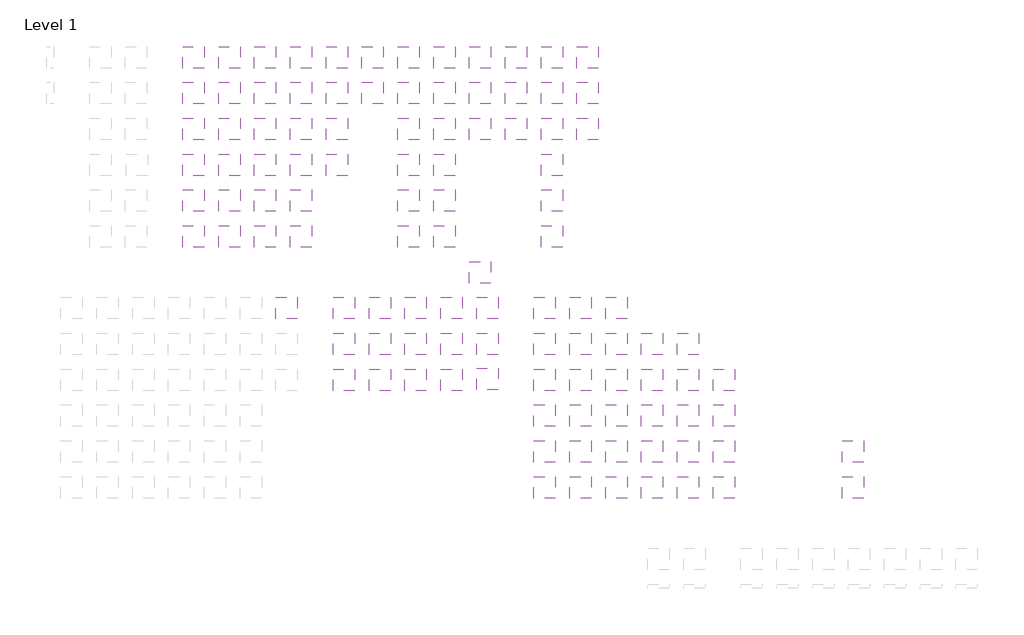
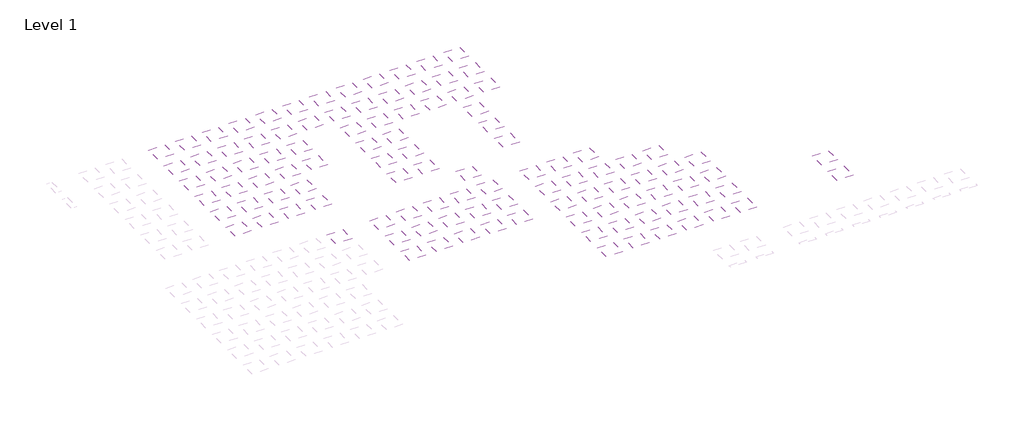
# One storey, part 9 of 90: 108 coverings.
"""IFC4 building model written with IfcOpenShell, lengths in millimetres."""

import ifcopenshell
import ifcopenshell.guid

model = None  # the IFC model being written
_history = None  # IfcOwnerHistory: only IFC2X3 demands one
_inside = {}  # id of a spatial element -> (the spatial element, [elements in it])
_under = {}  # id of a project, library or spatial element -> (it, [spatial elements below it])
_declared = {}  # id of a project -> (the project, [libraries it declares])
_typed = {}  # id of a type object -> (the type object, [elements of that type])
_made_of = {}  # id of a material, layer set ... -> (it, [elements and type objects made of it])


def new_model(schema):
    """Start an empty IFC model of exactly this schema.

    Asked for "IFC4X3", IfcOpenShell would pick the latest addendum, in which some entities
    have other attributes; the version numbers below select the first issue.
    IFC2X3 requires an IfcOwnerHistory on every rooted entity: one is made here for all.
    """
    global model, _history
    if schema == "IFC4X3":
        model = ifcopenshell.file(schema_version=(4, 3, 0, 0))
    else:
        model = ifcopenshell.file(schema=schema)
    _inside.clear()
    _under.clear()
    _declared.clear()
    _typed.clear()
    _made_of.clear()
    _history = None
    if model.schema == "IFC2X3":
        org = make("IfcOrganization", Name="unknown")
        user = make(
            "IfcPersonAndOrganization",
            ThePerson=make("IfcPerson", FamilyName="unknown"),
            TheOrganization=org,
        )
        app = make(
            "IfcApplication",
            ApplicationDeveloper=org,
            Version="unknown",
            ApplicationFullName="unknown",
            ApplicationIdentifier="unknown",
        )
        _history = make(
            "IfcOwnerHistory",
            OwningUser=user,
            OwningApplication=app,
            ChangeAction="ADDED",
            CreationDate=0,
        )
    return model


def make(cls, **values):
    """One entity of the class cls with the attributes given. An attribute that is None is left unset."""
    return model.create_entity(
        cls, **{name: value for name, value in values.items() if value is not None}
    )


def rooted(cls, **values):
    """An entity with a GlobalId (a new one), such as an element, a storey or a relation."""
    return make(cls, GlobalId=ifcopenshell.guid.new(), OwnerHistory=_history, **values)


def si_unit(unit_type, name, prefix=None):
    """IfcSIUnit, for example si_unit("LENGTHUNIT", "METRE", prefix="MILLI")."""
    return make("IfcSIUnit", UnitType=unit_type, Prefix=prefix, Name=name)


def assignment(units):
    """IfcUnitAssignment: the units of a project."""
    return None if units is None else make("IfcUnitAssignment", Units=units)


def point(xyz):
    """IfcCartesianPoint."""
    return None if xyz is None else make("IfcCartesianPoint", Coordinates=xyz)


def direction(xyz):
    """IfcDirection."""
    return None if xyz is None else make("IfcDirection", DirectionRatios=xyz)


def frame(location, z_axis=None, x_axis=None):
    """IfcAxis2Placement3D, a coordinate frame: its origin and axes. An axis left out is left unset."""
    return make(
        "IfcAxis2Placement3D",
        Location=point(location),
        Axis=direction(z_axis),
        RefDirection=direction(x_axis),
    )


def origin():
    """The frame at (0, 0, 0) with its axes left unset."""
    return frame((0.0, 0.0, 0.0))


def place(relative_to, where):
    """IfcLocalPlacement: puts the frame where relative to a parent placement (None: the world)."""
    return make(
        "IfcLocalPlacement", PlacementRelTo=relative_to, RelativePlacement=where
    )


def context(
    kind, dimensions, precision=None, world=None, true_north=None, identifier=None
):
    """IfcGeometricRepresentationContext, for example the 3D "Model" context."""
    return make(
        "IfcGeometricRepresentationContext",
        ContextIdentifier=identifier,
        ContextType=kind,
        CoordinateSpaceDimension=dimensions,
        Precision=precision,
        WorldCoordinateSystem=world,
        TrueNorth=true_north,
    )


def project(units=None, contexts=None):
    """IfcProject with its units and contexts."""
    return rooted(
        "IfcProject",
        Name="project",
        RepresentationContexts=contexts,
        UnitsInContext=assignment(units),
    )


def spatial(cls, under=None, at=None, **own):
    """A site, building, storey or space (cls), placed at a placement, below another one or the project."""
    s = rooted(cls, ObjectPlacement=at, **own)
    if under is not None:
        _under.setdefault(under.id(), (under, []))[1].append(s)
    return s


def polyline(points):
    """IfcPolyline through the points."""
    return make("IfcPolyline", Points=[point(p) for p in points])


def outline(outer, holes=None, kind="AREA"):
    """IfcArbitraryClosedProfileDef: a profile drawn as a closed curve; with holes, ...WithVoids."""
    if holes is None:
        return make("IfcArbitraryClosedProfileDef", ProfileType=kind, OuterCurve=outer)
    return make(
        "IfcArbitraryProfileDefWithVoids",
        ProfileType=kind,
        OuterCurve=outer,
        InnerCurves=holes,
    )


def extrude(swept, where, along, depth):
    """IfcExtrudedAreaSolid: the profile swept, set in the frame where, extruded along a direction by depth."""
    return make(
        "IfcExtrudedAreaSolid",
        SweptArea=swept,
        Position=where,
        ExtrudedDirection=direction(along),
        Depth=depth,
    )


def shape(context_of_items, identifier, shape_type, items):
    """IfcShapeRepresentation: the items that make up one representation, for example the "Body"."""
    return make(
        "IfcShapeRepresentation",
        ContextOfItems=context_of_items,
        RepresentationIdentifier=identifier,
        RepresentationType=shape_type,
        Items=items,
    )


def made_of(thing, what):
    """Note that an element or type object is made of a material, layer set ...; save() writes the relation."""
    if what is not None:
        _made_of.setdefault(what.id(), (what, []))[1].append(thing)
    return thing


def element(
    cls,
    number,
    at=None,
    inside=None,
    cuts=None,
    type_object=None,
    material=None,
    context=None,
    identifier="Body",
    shape_type=None,
    held_by="IfcProductDefinitionShape",
    body=None,
    shapes=None,
    **own,
):
    """One element of the class cls, such as IfcWall. Its Tag is "e" and its number.

    at: its placement. inside: the storey or other place that contains it. cuts: it is an
    opening in that element (IfcRelVoidsElement). A single representation is given by context,
    identifier, shape_type and body (its items); several are given by shapes. held_by: the class
    of the entity that holds the representations. save() writes the other relations.
    """
    e = rooted(cls, Tag="e%d" % number, ObjectPlacement=at, **own)
    if body is not None:
        shapes = [shape(context, identifier, shape_type, body)]
    if shapes is not None:
        e.Representation = make(held_by, Representations=shapes)
    if inside is not None:
        _inside.setdefault(inside.id(), (inside, []))[1].append(e)
    if cuts is not None:
        rooted(
            "IfcRelVoidsElement", RelatingBuildingElement=cuts, RelatedOpeningElement=e
        )
    if type_object is not None:
        _typed.setdefault(type_object.id(), (type_object, []))[1].append(e)
    return made_of(e, material)


def aggregate(whole, parts):
    """IfcRelAggregates: a whole, such as a stair, and the parts it consists of."""
    return rooted("IfcRelAggregates", RelatingObject=whole, RelatedObjects=parts)


def save(model, path):
    """Write the relations noted so far, then the file.

    IfcRelAggregates (storeys below a building ...), IfcRelContainedInSpatialStructure (elements
    in a storey), IfcRelDefinesByType, IfcRelAssociatesMaterial and IfcRelDeclares: one each for
    every whole, place, type object, material and project.
    """
    for whole, parts in _under.values():
        aggregate(whole, parts)
    for where, things in _inside.values():
        rooted(
            "IfcRelContainedInSpatialStructure",
            RelatedElements=things,
            RelatingStructure=where,
        )
    for kind, things in _typed.values():
        rooted("IfcRelDefinesByType", RelatedObjects=things, RelatingType=kind)
    for what, things in _made_of.values():
        rooted("IfcRelAssociatesMaterial", RelatedObjects=things, RelatingMaterial=what)
    for by, libraries in _declared.values():
        rooted("IfcRelDeclares", RelatingContext=by, RelatedDefinitions=libraries)
    model.write(path)


model = new_model("IFC4")

# Units and contexts
model_context = context("Model", 3, world=origin())
ifc_project = project(units=[si_unit("LENGTHUNIT", "METRE", prefix="MILLI")], contexts=[model_context])

# Site, building, storey
site = spatial("IfcSite", under=ifc_project)
building = spatial("IfcBuilding", under=site)
storey = spatial("IfcBuildingStorey", under=building, Name="Level 1", Elevation=0.0)

# Coverings
placement = place(None, origin())
element("IfcCovering", 1, at=placement, inside=storey, context=model_context, shape_type="SweptSolid", body=[
    extrude(outline(polyline([(131041.3888175, 62503.2440705), (131041.3888175, 59503.2440705), (128041.3888175, 59503.2440705), (128041.3888175, 62503.2440705), (131041.3888175, 62503.2440705)])), frame((0.0, 0.0, 2600.0), z_axis=(0.0, 0.0, 1.0), x_axis=(1.0, 0.0, 0.0)), (0.0, 0.0, 1.0), 38.0),
])
element("IfcCovering", 2, at=placement, inside=storey, context=model_context, shape_type="SweptSolid", body=[
    extrude(outline(polyline([(131041.3888175, 52503.2440705), (131041.3888175, 49503.2440705), (128041.3888175, 49503.2440705), (128041.3888175, 52503.2440705), (131041.3888175, 52503.2440705)])), frame((0.0, 0.0, 2600.0), z_axis=(0.0, 0.0, 1.0), x_axis=(1.0, 0.0, 0.0)), (0.0, 0.0, 1.0), 38.0),
])
element("IfcCovering", 3, at=placement, inside=storey, context=model_context, shape_type="SweptSolid", body=[
    extrude(outline(polyline([(131041.3888175, 47503.2440705), (131041.3888175, 44503.2440705), (128041.3888175, 44503.2440705), (128041.3888175, 47503.2440705), (131041.3888175, 47503.2440705)])), frame((0.0, 0.0, 2600.0), z_axis=(0.0, 0.0, 1.0), x_axis=(1.0, 0.0, 0.0)), (0.0, 0.0, 1.0), 38.0),
])
element("IfcCovering", 4, at=placement, inside=storey, context=model_context, shape_type="SweptSolid", body=[
    extrude(outline(polyline([(131041.3888175, 37503.2440705), (131041.3888175, 34503.2440705), (128041.3888175, 34503.2440705), (128041.3888175, 37503.2440705), (131041.3888175, 37503.2440705)])), frame((0.0, 0.0, 2600.0), z_axis=(0.0, 0.0, 1.0), x_axis=(1.0, 0.0, 0.0)), (0.0, 0.0, 1.0), 38.0),
])
element("IfcCovering", 5, at=placement, inside=storey, context=model_context, shape_type="SweptSolid", body=[
    extrude(outline(polyline([(141041.3888175, 62503.2440705), (141041.3888175, 59503.2440705), (138041.3888175, 59503.2440705), (138041.3888175, 62503.2440705), (141041.3888175, 62503.2440705)])), frame((0.0, 0.0, 2600.0), z_axis=(0.0, 0.0, 1.0), x_axis=(1.0, 0.0, 0.0)), (0.0, 0.0, 1.0), 38.0),
])
element("IfcCovering", 6, at=placement, inside=storey, context=model_context, shape_type="SweptSolid", body=[
    extrude(outline(polyline([(141041.3888175, 52503.2440705), (141041.3888175, 49503.2440705), (138041.3888175, 49503.2440705), (138041.3888175, 52503.2440705), (141041.3888175, 52503.2440705)])), frame((0.0, 0.0, 2600.0), z_axis=(0.0, 0.0, 1.0), x_axis=(1.0, 0.0, 0.0)), (0.0, 0.0, 1.0), 38.0),
])
element("IfcCovering", 7, at=placement, inside=storey, context=model_context, shape_type="SweptSolid", body=[
    extrude(outline(polyline([(141041.3888175, 37503.2440705), (141041.3888175, 34503.2440705), (138041.3888175, 34503.2440705), (138041.3888175, 37503.2440705), (141041.3888175, 37503.2440705)])), frame((0.0, 0.0, 2600.0), z_axis=(0.0, 0.0, 1.0), x_axis=(1.0, 0.0, 0.0)), (0.0, 0.0, 1.0), 38.0),
])
element("IfcCovering", 8, at=placement, inside=storey, context=model_context, shape_type="SweptSolid", body=[
    extrude(outline(polyline([(161041.3888175, 62503.2440705), (161041.3888175, 59503.2440705), (158041.3888175, 59503.2440705), (158041.3888175, 62503.2440705), (161041.3888175, 62503.2440705)])), frame((0.0, 0.0, 2600.0), z_axis=(0.0, 0.0, 1.0), x_axis=(1.0, 0.0, 0.0)), (0.0, 0.0, 1.0), 38.0),
])
element("IfcCovering", 9, at=placement, inside=storey, context=model_context, shape_type="SweptSolid", body=[
    extrude(outline(polyline([(161041.3888175, 52503.2440705), (161041.3888175, 49503.2440705), (158041.3888175, 49503.2440705), (158041.3888175, 52503.2440705), (161041.3888175, 52503.2440705)])), frame((0.0, 0.0, 2600.0), z_axis=(0.0, 0.0, 1.0), x_axis=(1.0, 0.0, 0.0)), (0.0, 0.0, 1.0), 38.0),
])
element("IfcCovering", 10, at=placement, inside=storey, context=model_context, shape_type="SweptSolid", body=[
    extrude(outline(polyline([(161041.3888175, 47503.2440705), (161041.3888175, 44503.2440705), (158041.3888175, 44503.2440705), (158041.3888175, 47503.2440705), (161041.3888175, 47503.2440705)])), frame((0.0, 0.0, 2600.0), z_axis=(0.0, 0.0, 1.0), x_axis=(1.0, 0.0, 0.0)), (0.0, 0.0, 1.0), 38.0),
])
element("IfcCovering", 11, at=placement, inside=storey, context=model_context, shape_type="SweptSolid", body=[
    extrude(outline(polyline([(161041.3888175, 37503.2440705), (161041.3888175, 34503.2440705), (158041.3888175, 34503.2440705), (158041.3888175, 37503.2440705), (161041.3888175, 37503.2440705)])), frame((0.0, 0.0, 2600.0), z_axis=(0.0, 0.0, 1.0), x_axis=(1.0, 0.0, 0.0)), (0.0, 0.0, 1.0), 38.0),
])
element("IfcCovering", 12, at=placement, inside=storey, context=model_context, shape_type="SweptSolid", body=[
    extrude(outline(polyline([(166041.3888175, 62503.2440705), (166041.3888175, 59503.2440705), (163041.3888175, 59503.2440705), (163041.3888175, 62503.2440705), (166041.3888175, 62503.2440705)])), frame((0.0, 0.0, 2600.0), z_axis=(0.0, 0.0, 1.0), x_axis=(1.0, 0.0, 0.0)), (0.0, 0.0, 1.0), 38.0),
])
element("IfcCovering", 13, at=placement, inside=storey, context=model_context, shape_type="SweptSolid", body=[
    extrude(outline(polyline([(166041.3888175, 52503.2440705), (166041.3888175, 49503.2440705), (163041.3888175, 49503.2440705), (163041.3888175, 52503.2440705), (166041.3888175, 52503.2440705)])), frame((0.0, 0.0, 2600.0), z_axis=(0.0, 0.0, 1.0), x_axis=(1.0, 0.0, 0.0)), (0.0, 0.0, 1.0), 38.0),
])
element("IfcCovering", 14, at=placement, inside=storey, context=model_context, shape_type="SweptSolid", body=[
    extrude(outline(polyline([(166041.3888175, 47503.2440705), (166041.3888175, 44503.2440705), (163041.3888175, 44503.2440705), (163041.3888175, 47503.2440705), (166041.3888175, 47503.2440705)])), frame((0.0, 0.0, 2600.0), z_axis=(0.0, 0.0, 1.0), x_axis=(1.0, 0.0, 0.0)), (0.0, 0.0, 1.0), 38.0),
])
element("IfcCovering", 15, at=placement, inside=storey, context=model_context, shape_type="SweptSolid", body=[
    extrude(outline(polyline([(166041.3888175, 37503.2440705), (166041.3888175, 34503.2440705), (163041.3888175, 34503.2440705), (163041.3888175, 37503.2440705), (166041.3888175, 37503.2440705)])), frame((0.0, 0.0, 2600.0), z_axis=(0.0, 0.0, 1.0), x_axis=(1.0, 0.0, 0.0)), (0.0, 0.0, 1.0), 38.0),
])
element("IfcCovering", 16, at=placement, inside=storey, context=model_context, shape_type="SweptSolid", body=[
    extrude(outline(polyline([(171041.3888175, 62503.2440705), (171041.3888175, 59503.2440705), (168041.3888175, 59503.2440705), (168041.3888175, 62503.2440705), (171041.3888175, 62503.2440705)])), frame((0.0, 0.0, 2600.0), z_axis=(0.0, 0.0, 1.0), x_axis=(1.0, 0.0, 0.0)), (0.0, 0.0, 1.0), 38.0),
])
element("IfcCovering", 17, at=placement, inside=storey, context=model_context, shape_type="SweptSolid", body=[
    extrude(outline(polyline([(171041.3888175, 52503.2440705), (171041.3888175, 49503.2440705), (168041.3888175, 49503.2440705), (168041.3888175, 52503.2440705), (171041.3888175, 52503.2440705)])), frame((0.0, 0.0, 2600.0), z_axis=(0.0, 0.0, 1.0), x_axis=(1.0, 0.0, 0.0)), (0.0, 0.0, 1.0), 38.0),
])
element("IfcCovering", 18, at=placement, inside=storey, context=model_context, shape_type="SweptSolid", body=[
    extrude(outline(polyline([(176041.3888175, 62503.2440705), (176041.3888175, 59503.2440705), (173041.3888175, 59503.2440705), (173041.3888175, 62503.2440705), (176041.3888175, 62503.2440705)])), frame((0.0, 0.0, 2600.0), z_axis=(0.0, 0.0, 1.0), x_axis=(1.0, 0.0, 0.0)), (0.0, 0.0, 1.0), 48.0),
])
element("IfcCovering", 19, at=placement, inside=storey, context=model_context, shape_type="SweptSolid", body=[
    extrude(outline(polyline([(176041.3888175, 52503.2440705), (176041.3888175, 49503.2440705), (173041.3888175, 49503.2440705), (173041.3888175, 52503.2440705), (176041.3888175, 52503.2440705)])), frame((0.0, 0.0, 2600.0), z_axis=(0.0, 0.0, 1.0), x_axis=(1.0, 0.0, 0.0)), (0.0, 0.0, 1.0), 48.0),
])
element("IfcCovering", 20, at=placement, inside=storey, context=model_context, shape_type="SweptSolid", body=[
    extrude(outline(polyline([(181041.3888175, 62503.2440705), (181041.3888175, 59503.2440705), (178041.3888175, 59503.2440705), (178041.3888175, 62503.2440705), (181041.3888175, 62503.2440705)])), frame((0.0, 0.0, 2600.0), z_axis=(0.0, 0.0, 1.0), x_axis=(1.0, 0.0, 0.0)), (0.0, 0.0, 1.0), 100.0),
])
element("IfcCovering", 21, at=placement, inside=storey, context=model_context, shape_type="SweptSolid", body=[
    extrude(outline(polyline([(181041.3888175, 52503.2440705), (181041.3888175, 49503.2440705), (178041.3888175, 49503.2440705), (178041.3888175, 52503.2440705), (181041.3888175, 52503.2440705)])), frame((0.0, 0.0, 2600.0), z_axis=(0.0, 0.0, 1.0), x_axis=(1.0, 0.0, 0.0)), (0.0, 0.0, 1.0), 100.0),
])
element("IfcCovering", 22, at=placement, inside=storey, context=model_context, shape_type="SweptSolid", body=[
    extrude(outline(polyline([(144041.3888175, 27503.2440705), (144041.3888175, 24503.2440705), (141041.3888175, 24503.2440705), (141041.3888175, 27503.2440705), (144041.3888175, 27503.2440705)])), frame((0.0, 0.0, 2600.0), z_axis=(0.0, 0.0, 1.0), x_axis=(1.0, 0.0, 0.0)), (0.0, 0.0, 1.0), 38.0),
])
element("IfcCovering", 23, at=placement, inside=storey, context=model_context, shape_type="SweptSolid", body=[
    extrude(outline(polyline([(131041.3888175, 57503.2440705), (131041.3888175, 54503.2440705), (128041.3888175, 54503.2440705), (128041.3888175, 57503.2440705), (131041.3888175, 57503.2440705)])), frame((0.0, 0.0, 2600.0), z_axis=(0.0, 0.0, 1.0), x_axis=(1.0, 0.0, 0.0)), (0.0, 0.0, 1.0), 38.0),
])
element("IfcCovering", 24, at=placement, inside=storey, context=model_context, shape_type="SweptSolid", body=[
    extrude(outline(polyline([(141041.3888175, 57503.2440705), (141041.3888175, 54503.2440705), (138041.3888175, 54503.2440705), (138041.3888175, 57503.2440705), (141041.3888175, 57503.2440705)])), frame((0.0, 0.0, 2600.0), z_axis=(0.0, 0.0, 1.0), x_axis=(1.0, 0.0, 0.0)), (0.0, 0.0, 1.0), 38.0),
])
element("IfcCovering", 25, at=placement, inside=storey, context=model_context, shape_type="SweptSolid", body=[
    extrude(outline(polyline([(161041.3888175, 57503.2440705), (161041.3888175, 54503.2440705), (158041.3888175, 54503.2440705), (158041.3888175, 57503.2440705), (161041.3888175, 57503.2440705)])), frame((0.0, 0.0, 2600.0), z_axis=(0.0, 0.0, 1.0), x_axis=(1.0, 0.0, 0.0)), (0.0, 0.0, 1.0), 38.0),
])
element("IfcCovering", 26, at=placement, inside=storey, context=model_context, shape_type="SweptSolid", body=[
    extrude(outline(polyline([(166041.3888175, 57503.2440705), (166041.3888175, 54503.2440705), (163041.3888175, 54503.2440705), (163041.3888175, 57503.2440705), (166041.3888175, 57503.2440705)])), frame((0.0, 0.0, 2600.0), z_axis=(0.0, 0.0, 1.0), x_axis=(1.0, 0.0, 0.0)), (0.0, 0.0, 1.0), 38.0),
])
element("IfcCovering", 27, at=placement, inside=storey, context=model_context, shape_type="SweptSolid", body=[
    extrude(outline(polyline([(171041.3888175, 57503.2440705), (171041.3888175, 54503.2440705), (168041.3888175, 54503.2440705), (168041.3888175, 57503.2440705), (171041.3888175, 57503.2440705)])), frame((0.0, 0.0, 2600.0), z_axis=(0.0, 0.0, 1.0), x_axis=(1.0, 0.0, 0.0)), (0.0, 0.0, 1.0), 38.0),
])
element("IfcCovering", 28, at=placement, inside=storey, context=model_context, shape_type="SweptSolid", body=[
    extrude(outline(polyline([(176041.3888175, 57503.2440705), (176041.3888175, 54503.2440705), (173041.3888175, 54503.2440705), (173041.3888175, 57503.2440705), (176041.3888175, 57503.2440705)])), frame((0.0, 0.0, 2600.0), z_axis=(0.0, 0.0, 1.0), x_axis=(1.0, 0.0, 0.0)), (0.0, 0.0, 1.0), 48.0),
])
element("IfcCovering", 29, at=placement, inside=storey, context=model_context, shape_type="SweptSolid", body=[
    extrude(outline(polyline([(181041.3888175, 57503.2440705), (181041.3888175, 54503.2440705), (178041.3888175, 54503.2440705), (178041.3888175, 57503.2440705), (181041.3888175, 57503.2440705)])), frame((0.0, 0.0, 2600.0), z_axis=(0.0, 0.0, 1.0), x_axis=(1.0, 0.0, 0.0)), (0.0, 0.0, 1.0), 100.0),
])
element("IfcCovering", 30, at=placement, inside=storey, context=model_context, shape_type="SweptSolid", body=[
    extrude(outline(polyline([(131041.3888175, 42503.2440705), (131041.3888175, 39503.2440705), (128041.3888175, 39503.2440705), (128041.3888175, 42503.2440705), (131041.3888175, 42503.2440705)])), frame((0.0, 0.0, 2600.0), z_axis=(0.0, 0.0, 1.0), x_axis=(1.0, 0.0, 0.0)), (0.0, 0.0, 1.0), 38.0),
])
element("IfcCovering", 31, at=placement, inside=storey, context=model_context, shape_type="SweptSolid", body=[
    extrude(outline(polyline([(141041.3888175, 42503.2440705), (141041.3888175, 39503.2440705), (138041.3888175, 39503.2440705), (138041.3888175, 42503.2440705), (141041.3888175, 42503.2440705)])), frame((0.0, 0.0, 2600.0), z_axis=(0.0, 0.0, 1.0), x_axis=(1.0, 0.0, 0.0)), (0.0, 0.0, 1.0), 38.0),
])
element("IfcCovering", 32, at=placement, inside=storey, context=model_context, shape_type="SweptSolid", body=[
    extrude(outline(polyline([(161041.3888175, 42503.2440705), (161041.3888175, 39503.2440705), (158041.3888175, 39503.2440705), (158041.3888175, 42503.2440705), (161041.3888175, 42503.2440705)])), frame((0.0, 0.0, 2600.0), z_axis=(0.0, 0.0, 1.0), x_axis=(1.0, 0.0, 0.0)), (0.0, 0.0, 1.0), 38.0),
])
element("IfcCovering", 33, at=placement, inside=storey, context=model_context, shape_type="SweptSolid", body=[
    extrude(outline(polyline([(166041.3888175, 42503.2440705), (166041.3888175, 39503.2440705), (163041.3888175, 39503.2440705), (163041.3888175, 42503.2440705), (166041.3888175, 42503.2440705)])), frame((0.0, 0.0, 2600.0), z_axis=(0.0, 0.0, 1.0), x_axis=(1.0, 0.0, 0.0)), (0.0, 0.0, 1.0), 38.0),
])
element("IfcCovering", 34, at=placement, inside=storey, context=model_context, shape_type="SweptSolid", body=[
    extrude(outline(polyline([(146041.3888175, 52503.2440705), (146041.3888175, 49503.2440705), (143041.3888175, 49503.2440705), (143041.3888175, 52503.2440705), (146041.3888175, 52503.2440705)])), frame((0.0, 0.0, 2600.0), z_axis=(0.0, 0.0, 1.0), x_axis=(1.0, 0.0, 0.0)), (0.0, 0.0, 1.0), 38.0),
])
element("IfcCovering", 35, at=placement, inside=storey, context=model_context, shape_type="SweptSolid", body=[
    extrude(outline(polyline([(146041.3888175, 47503.2440705), (146041.3888175, 44503.2440705), (143041.3888175, 44503.2440705), (143041.3888175, 47503.2440705), (146041.3888175, 47503.2440705)])), frame((0.0, 0.0, 2600.0), z_axis=(0.0, 0.0, 1.0), x_axis=(1.0, 0.0, 0.0)), (0.0, 0.0, 1.0), 38.0),
])
element("IfcCovering", 36, at=placement, inside=storey, context=model_context, shape_type="SweptSolid", body=[
    extrude(outline(polyline([(146041.3888175, 37503.2440705), (146041.3888175, 34503.2440705), (143041.3888175, 34503.2440705), (143041.3888175, 37503.2440705), (146041.3888175, 37503.2440705)])), frame((0.0, 0.0, 2600.0), z_axis=(0.0, 0.0, 1.0), x_axis=(1.0, 0.0, 0.0)), (0.0, 0.0, 1.0), 38.0),
])
element("IfcCovering", 37, at=placement, inside=storey, context=model_context, shape_type="SweptSolid", body=[
    extrude(outline(polyline([(146041.3888175, 57503.2440705), (146041.3888175, 54503.2440705), (143041.3888175, 54503.2440705), (143041.3888175, 57503.2440705), (146041.3888175, 57503.2440705)])), frame((0.0, 0.0, 2600.0), z_axis=(0.0, 0.0, 1.0), x_axis=(1.0, 0.0, 0.0)), (0.0, 0.0, 1.0), 38.0),
])
element("IfcCovering", 38, at=placement, inside=storey, context=model_context, shape_type="SweptSolid", body=[
    extrude(outline(polyline([(146041.3888175, 42503.2440705), (146041.3888175, 39503.2440705), (143041.3888175, 39503.2440705), (143041.3888175, 42503.2440705), (146041.3888175, 42503.2440705)])), frame((0.0, 0.0, 2600.0), z_axis=(0.0, 0.0, 1.0), x_axis=(1.0, 0.0, 0.0)), (0.0, 0.0, 1.0), 38.0),
])
element("IfcCovering", 39, at=placement, inside=storey, context=model_context, shape_type="SweptSolid", body=[
    extrude(outline(polyline([(146041.3888175, 62503.2440705), (146041.3888175, 59503.2440705), (143041.3888175, 59503.2440705), (143041.3888175, 62503.2440705), (146041.3888175, 62503.2440705)])), frame((0.0, 0.0, 2600.0), z_axis=(0.0, 0.0, 1.0), x_axis=(1.0, 0.0, 0.0)), (0.0, 0.0, 1.0), 38.0),
])
element("IfcCovering", 40, at=placement, inside=storey, context=model_context, shape_type="SweptSolid", body=[
    extrude(outline(polyline([(151041.3888175, 52503.2440705), (151041.3888175, 49503.2440705), (148041.3888175, 49503.2440705), (148041.3888175, 52503.2440705), (151041.3888175, 52503.2440705)])), frame((0.0, 0.0, 2600.0), z_axis=(0.0, 0.0, 1.0), x_axis=(1.0, 0.0, 0.0)), (0.0, 0.0, 1.0), 38.0),
])
element("IfcCovering", 41, at=placement, inside=storey, context=model_context, shape_type="SweptSolid", body=[
    extrude(outline(polyline([(151041.3888175, 47503.2440705), (151041.3888175, 44503.2440705), (148041.3888175, 44503.2440705), (148041.3888175, 47503.2440705), (151041.3888175, 47503.2440705)])), frame((0.0, 0.0, 2600.0), z_axis=(0.0, 0.0, 1.0), x_axis=(1.0, 0.0, 0.0)), (0.0, 0.0, 1.0), 38.0),
])
element("IfcCovering", 42, at=placement, inside=storey, context=model_context, shape_type="SweptSolid", body=[
    extrude(outline(polyline([(151041.3888175, 57503.2440705), (151041.3888175, 54503.2440705), (148041.3888175, 54503.2440705), (148041.3888175, 57503.2440705), (151041.3888175, 57503.2440705)])), frame((0.0, 0.0, 2600.0), z_axis=(0.0, 0.0, 1.0), x_axis=(1.0, 0.0, 0.0)), (0.0, 0.0, 1.0), 38.0),
])
element("IfcCovering", 43, at=placement, inside=storey, context=model_context, shape_type="SweptSolid", body=[
    extrude(outline(polyline([(151041.3888175, 62503.2440705), (151041.3888175, 59503.2440705), (148041.3888175, 59503.2440705), (148041.3888175, 62503.2440705), (151041.3888175, 62503.2440705)])), frame((0.0, 0.0, 2600.0), z_axis=(0.0, 0.0, 1.0), x_axis=(1.0, 0.0, 0.0)), (0.0, 0.0, 1.0), 38.0),
])
element("IfcCovering", 44, at=placement, inside=storey, context=model_context, shape_type="SweptSolid", body=[
    extrude(outline(polyline([(156041.3888175, 57503.2440705), (156041.3888175, 54503.2440705), (153041.3888175, 54503.2440705), (153041.3888175, 57503.2440705), (156041.3888175, 57503.2440705)])), frame((0.0, 0.0, 2600.0), z_axis=(0.0, 0.0, 1.0), x_axis=(1.0, 0.0, 0.0)), (0.0, 0.0, 1.0), 38.0),
])
element("IfcCovering", 45, at=placement, inside=storey, context=model_context, shape_type="SweptSolid", body=[
    extrude(outline(polyline([(156041.3888175, 62503.2440705), (156041.3888175, 59503.2440705), (153041.3888175, 59503.2440705), (153041.3888175, 62503.2440705), (156041.3888175, 62503.2440705)])), frame((0.0, 0.0, 2600.0), z_axis=(0.0, 0.0, 1.0), x_axis=(1.0, 0.0, 0.0)), (0.0, 0.0, 1.0), 38.0),
])
element("IfcCovering", 46, at=placement, inside=storey, context=model_context, shape_type="SweptSolid", body=[
    extrude(outline(polyline([(186041.3888175, 62503.2440705), (186041.3888175, 59503.2440705), (183041.3888175, 59503.2440705), (183041.3888175, 62503.2440705), (186041.3888175, 62503.2440705)])), frame((0.0, 0.0, 2600.0), z_axis=(0.0, 0.0, 1.0), x_axis=(1.0, 0.0, 0.0)), (0.0, 0.0, 1.0), 105.0),
])
element("IfcCovering", 47, at=placement, inside=storey, context=model_context, shape_type="SweptSolid", body=[
    extrude(outline(polyline([(186041.3888175, 57503.2440705), (186041.3888175, 54503.2440705), (183041.3888175, 54503.2440705), (183041.3888175, 57503.2440705), (186041.3888175, 57503.2440705)])), frame((0.0, 0.0, 2600.0), z_axis=(0.0, 0.0, 1.0), x_axis=(1.0, 0.0, 0.0)), (0.0, 0.0, 1.0), 105.0),
])
element("IfcCovering", 48, at=placement, inside=storey, context=model_context, shape_type="SweptSolid", body=[
    extrude(outline(polyline([(152041.3888175, 27503.2440705), (152041.3888175, 24503.2440705), (149041.3888175, 24503.2440705), (149041.3888175, 27503.2440705), (152041.3888175, 27503.2440705)])), frame((0.0, 0.0, 2600.0), z_axis=(0.0, 0.0, 1.0), x_axis=(1.0, 0.0, 0.0)), (0.0, 0.0, 1.0), 37.0),
])
element("IfcCovering", 49, at=placement, inside=storey, context=model_context, shape_type="SweptSolid", body=[
    extrude(outline(polyline([(152041.3888175, 22503.2440705), (152041.3888175, 19503.2440705), (149041.3888175, 19503.2440705), (149041.3888175, 22503.2440705), (152041.3888175, 22503.2440705)])), frame((0.0, 0.0, 2600.0), z_axis=(0.0, 0.0, 1.0), x_axis=(1.0, 0.0, 0.0)), (0.0, 0.0, 1.0), 37.0),
])
element("IfcCovering", 50, at=placement, inside=storey, context=model_context, shape_type="SweptSolid", body=[
    extrude(outline(polyline([(152041.3888175, 17503.2440705), (152041.3888175, 14503.2440705), (149041.3888175, 14503.2440705), (149041.3888175, 17503.2440705), (152041.3888175, 17503.2440705)])), frame((0.0, 0.0, 2600.0), z_axis=(0.0, 0.0, 1.0), x_axis=(1.0, 0.0, 0.0)), (0.0, 0.0, 1.0), 37.0),
])
element("IfcCovering", 51, at=placement, inside=storey, context=model_context, shape_type="SweptSolid", body=[
    extrude(outline(polyline([(157041.3888175, 27503.2440705), (157041.3888175, 24503.2440705), (154041.3888175, 24503.2440705), (154041.3888175, 27503.2440705), (157041.3888175, 27503.2440705)])), frame((0.0, 0.0, 2600.0), z_axis=(0.0, 0.0, 1.0), x_axis=(1.0, 0.0, 0.0)), (0.0, 0.0, 1.0), 37.0),
])
element("IfcCovering", 52, at=placement, inside=storey, context=model_context, shape_type="SweptSolid", body=[
    extrude(outline(polyline([(157041.3888175, 22503.2440705), (157041.3888175, 19503.2440705), (154041.3888175, 19503.2440705), (154041.3888175, 22503.2440705), (157041.3888175, 22503.2440705)])), frame((0.0, 0.0, 2600.0), z_axis=(0.0, 0.0, 1.0), x_axis=(1.0, 0.0, 0.0)), (0.0, 0.0, 1.0), 37.0),
])
element("IfcCovering", 53, at=placement, inside=storey, context=model_context, shape_type="SweptSolid", body=[
    extrude(outline(polyline([(157041.3888175, 17503.2440705), (157041.3888175, 14503.2440705), (154041.3888175, 14503.2440705), (154041.3888175, 17503.2440705), (157041.3888175, 17503.2440705)])), frame((0.0, 0.0, 2600.0), z_axis=(0.0, 0.0, 1.0), x_axis=(1.0, 0.0, 0.0)), (0.0, 0.0, 1.0), 37.0),
])
element("IfcCovering", 54, at=placement, inside=storey, context=model_context, shape_type="SweptSolid", body=[
    extrude(outline(polyline([(162041.3888175, 27503.2440705), (162041.3888175, 24503.2440705), (159041.3888175, 24503.2440705), (159041.3888175, 27503.2440705), (162041.3888175, 27503.2440705)])), frame((0.0, 0.0, 2600.0), z_axis=(0.0, 0.0, 1.0), x_axis=(1.0, 0.0, 0.0)), (0.0, 0.0, 1.0), 37.0),
])
element("IfcCovering", 55, at=placement, inside=storey, context=model_context, shape_type="SweptSolid", body=[
    extrude(outline(polyline([(162041.3888175, 22503.2440705), (162041.3888175, 19503.2440705), (159041.3888175, 19503.2440705), (159041.3888175, 22503.2440705), (162041.3888175, 22503.2440705)])), frame((0.0, 0.0, 2600.0), z_axis=(0.0, 0.0, 1.0), x_axis=(1.0, 0.0, 0.0)), (0.0, 0.0, 1.0), 37.0),
])
element("IfcCovering", 56, at=placement, inside=storey, context=model_context, shape_type="SweptSolid", body=[
    extrude(outline(polyline([(162041.3888175, 17503.2440705), (162041.3888175, 14503.2440705), (159041.3888175, 14503.2440705), (159041.3888175, 17503.2440705), (162041.3888175, 17503.2440705)])), frame((0.0, 0.0, 2600.0), z_axis=(0.0, 0.0, 1.0), x_axis=(1.0, 0.0, 0.0)), (0.0, 0.0, 1.0), 37.0),
])
element("IfcCovering", 57, at=placement, inside=storey, context=model_context, shape_type="SweptSolid", body=[
    extrude(outline(polyline([(167041.3888175, 27503.2440705), (167041.3888175, 24503.2440705), (164041.3888175, 24503.2440705), (164041.3888175, 27503.2440705), (167041.3888175, 27503.2440705)])), frame((0.0, 0.0, 2600.0), z_axis=(0.0, 0.0, 1.0), x_axis=(1.0, 0.0, 0.0)), (0.0, 0.0, 1.0), 37.0),
])
element("IfcCovering", 58, at=placement, inside=storey, context=model_context, shape_type="SweptSolid", body=[
    extrude(outline(polyline([(167041.3888175, 22503.2440705), (167041.3888175, 19503.2440705), (164041.3888175, 19503.2440705), (164041.3888175, 22503.2440705), (167041.3888175, 22503.2440705)])), frame((0.0, 0.0, 2600.0), z_axis=(0.0, 0.0, 1.0), x_axis=(1.0, 0.0, 0.0)), (0.0, 0.0, 1.0), 37.0),
])
element("IfcCovering", 59, at=placement, inside=storey, context=model_context, shape_type="SweptSolid", body=[
    extrude(outline(polyline([(167041.3888175, 17503.2440705), (167041.3888175, 14503.2440705), (164041.3888175, 14503.2440705), (164041.3888175, 17503.2440705), (167041.3888175, 17503.2440705)])), frame((0.0, 0.0, 2600.0), z_axis=(0.0, 0.0, 1.0), x_axis=(1.0, 0.0, 0.0)), (0.0, 0.0, 1.0), 37.0),
])
element("IfcCovering", 60, at=placement, inside=storey, context=model_context, shape_type="SweptSolid", body=[
    extrude(outline(polyline([(172041.3888175, 27503.2440705), (172041.3888175, 24503.2440705), (169041.3888175, 24503.2440705), (169041.3888175, 27503.2440705), (172041.3888175, 27503.2440705)])), frame((0.0, 0.0, 2600.0), z_axis=(0.0, 0.0, 1.0), x_axis=(1.0, 0.0, 0.0)), (0.0, 0.0, 1.0), 37.0),
])
element("IfcCovering", 61, at=placement, inside=storey, context=model_context, shape_type="SweptSolid", body=[
    extrude(outline(polyline([(185041.3888175, 27503.2440705), (185041.3888175, 24503.2440705), (182041.3888175, 24503.2440705), (182041.3888175, 27503.2440705), (185041.3888175, 27503.2440705)])), frame((0.0, 0.0, 2600.0), z_axis=(0.0, 0.0, 1.0), x_axis=(1.0, 0.0, 0.0)), (0.0, 0.0, 1.0), 38.0),
])
element("IfcCovering", 62, at=placement, inside=storey, context=model_context, shape_type="SweptSolid", body=[
    extrude(outline(polyline([(190041.3888175, 27503.2440705), (190041.3888175, 24503.2440705), (187041.3888175, 24503.2440705), (187041.3888175, 27503.2440705), (190041.3888175, 27503.2440705)])), frame((0.0, 0.0, 2600.0), z_axis=(0.0, 0.0, 1.0), x_axis=(1.0, 0.0, 0.0)), (0.0, 0.0, 1.0), 38.0),
])
element("IfcCovering", 63, at=placement, inside=storey, context=model_context, shape_type="SweptSolid", body=[
    extrude(outline(polyline([(185041.3888175, 22503.2440705), (185041.3888175, 19503.2440705), (182041.3888175, 19503.2440705), (182041.3888175, 22503.2440705), (185041.3888175, 22503.2440705)])), frame((0.0, 0.0, 2600.0), z_axis=(0.0, 0.0, 1.0), x_axis=(1.0, 0.0, 0.0)), (0.0, 0.0, 1.0), 38.0),
])
element("IfcCovering", 64, at=placement, inside=storey, context=model_context, shape_type="SweptSolid", body=[
    extrude(outline(polyline([(185041.3888175, 17503.2440705), (185041.3888175, 14503.2440705), (182041.3888175, 14503.2440705), (182041.3888175, 17503.2440705), (185041.3888175, 17503.2440705)])), frame((0.0, 0.0, 2600.0), z_axis=(0.0, 0.0, 1.0), x_axis=(1.0, 0.0, 0.0)), (0.0, 0.0, 1.0), 38.0),
])
element("IfcCovering", 65, at=placement, inside=storey, context=model_context, shape_type="SweptSolid", body=[
    extrude(outline(polyline([(185041.3888175, 12503.2440705), (185041.3888175, 9503.2440705), (182041.3888175, 9503.2440705), (182041.3888175, 12503.2440705), (185041.3888175, 12503.2440705)])), frame((0.0, 0.0, 2600.0), z_axis=(0.0, 0.0, 1.0), x_axis=(1.0, 0.0, 0.0)), (0.0, 0.0, 1.0), 38.0),
])
element("IfcCovering", 66, at=placement, inside=storey, context=model_context, shape_type="SweptSolid", body=[
    extrude(outline(polyline([(185041.3888175, 7503.2440705), (185041.3888175, 4503.2440705), (182041.3888175, 4503.2440705), (182041.3888175, 7503.2440705), (185041.3888175, 7503.2440705)])), frame((0.0, 0.0, 2600.0), z_axis=(0.0, 0.0, 1.0), x_axis=(1.0, 0.0, 0.0)), (0.0, 0.0, 1.0), 38.0),
])
element("IfcCovering", 67, at=placement, inside=storey, context=model_context, shape_type="SweptSolid", body=[
    extrude(outline(polyline([(185041.3888175, 2503.2440705), (185041.3888175, -496.7559295), (182041.3888175, -496.7559295), (182041.3888175, 2503.2440705), (185041.3888175, 2503.2440705)])), frame((0.0, 0.0, 2600.0), z_axis=(0.0, 0.0, 1.0), x_axis=(1.0, 0.0, 0.0)), (0.0, 0.0, 1.0), 38.0),
])
element("IfcCovering", 68, at=placement, inside=storey, context=model_context, shape_type="SweptSolid", body=[
    extrude(outline(polyline([(190041.3888175, 22503.2440705), (190041.3888175, 19503.2440705), (187041.3888175, 19503.2440705), (187041.3888175, 22503.2440705), (190041.3888175, 22503.2440705)])), frame((0.0, 0.0, 2600.0), z_axis=(0.0, 0.0, 1.0), x_axis=(1.0, 0.0, 0.0)), (0.0, 0.0, 1.0), 38.0),
])
element("IfcCovering", 69, at=placement, inside=storey, context=model_context, shape_type="SweptSolid", body=[
    extrude(outline(polyline([(190041.3888175, 17503.2440705), (190041.3888175, 14503.2440705), (187041.3888175, 14503.2440705), (187041.3888175, 17503.2440705), (190041.3888175, 17503.2440705)])), frame((0.0, 0.0, 2600.0), z_axis=(0.0, 0.0, 1.0), x_axis=(1.0, 0.0, 0.0)), (0.0, 0.0, 1.0), 38.0),
])
element("IfcCovering", 70, at=placement, inside=storey, context=model_context, shape_type="SweptSolid", body=[
    extrude(outline(polyline([(190041.3888175, 12503.2440705), (190041.3888175, 9503.2440705), (187041.3888175, 9503.2440705), (187041.3888175, 12503.2440705), (190041.3888175, 12503.2440705)])), frame((0.0, 0.0, 2600.0), z_axis=(0.0, 0.0, 1.0), x_axis=(1.0, 0.0, 0.0)), (0.0, 0.0, 1.0), 38.0),
])
element("IfcCovering", 71, at=placement, inside=storey, context=model_context, shape_type="SweptSolid", body=[
    extrude(outline(polyline([(190041.3888175, 7503.2440705), (190041.3888175, 4503.2440705), (187041.3888175, 4503.2440705), (187041.3888175, 7503.2440705), (190041.3888175, 7503.2440705)])), frame((0.0, 0.0, 2600.0), z_axis=(0.0, 0.0, 1.0), x_axis=(1.0, 0.0, 0.0)), (0.0, 0.0, 1.0), 38.0),
])
element("IfcCovering", 72, at=placement, inside=storey, context=model_context, shape_type="SweptSolid", body=[
    extrude(outline(polyline([(190041.3888175, 2503.2440705), (190041.3888175, -496.7559295), (187041.3888175, -496.7559295), (187041.3888175, 2503.2440705), (190041.3888175, 2503.2440705)])), frame((0.0, 0.0, 2600.0), z_axis=(0.0, 0.0, 1.0), x_axis=(1.0, 0.0, 0.0)), (0.0, 0.0, 1.0), 38.0),
])
element("IfcCovering", 73, at=placement, inside=storey, context=model_context, shape_type="SweptSolid", body=[
    extrude(outline(polyline([(195041.3888175, 22503.2440705), (195041.3888175, 19503.2440705), (192041.3888175, 19503.2440705), (192041.3888175, 22503.2440705), (195041.3888175, 22503.2440705)])), frame((0.0, 0.0, 2600.0), z_axis=(0.0, 0.0, 1.0), x_axis=(1.0, 0.0, 0.0)), (0.0, 0.0, 1.0), 38.0),
])
element("IfcCovering", 74, at=placement, inside=storey, context=model_context, shape_type="SweptSolid", body=[
    extrude(outline(polyline([(195041.3888175, 17503.2440705), (195041.3888175, 14503.2440705), (192041.3888175, 14503.2440705), (192041.3888175, 17503.2440705), (195041.3888175, 17503.2440705)])), frame((0.0, 0.0, 2600.0), z_axis=(0.0, 0.0, 1.0), x_axis=(1.0, 0.0, 0.0)), (0.0, 0.0, 1.0), 38.0),
])
element("IfcCovering", 75, at=placement, inside=storey, context=model_context, shape_type="SweptSolid", body=[
    extrude(outline(polyline([(195041.3888175, 12503.2440705), (195041.3888175, 9503.2440705), (192041.3888175, 9503.2440705), (192041.3888175, 12503.2440705), (195041.3888175, 12503.2440705)])), frame((0.0, 0.0, 2600.0), z_axis=(0.0, 0.0, 1.0), x_axis=(1.0, 0.0, 0.0)), (0.0, 0.0, 1.0), 38.0),
])
element("IfcCovering", 76, at=placement, inside=storey, context=model_context, shape_type="SweptSolid", body=[
    extrude(outline(polyline([(195041.3888175, 7503.2440705), (195041.3888175, 4503.2440705), (192041.3888175, 4503.2440705), (192041.3888175, 7503.2440705), (195041.3888175, 7503.2440705)])), frame((0.0, 0.0, 2600.0), z_axis=(0.0, 0.0, 1.0), x_axis=(1.0, 0.0, 0.0)), (0.0, 0.0, 1.0), 38.0),
])
element("IfcCovering", 77, at=placement, inside=storey, context=model_context, shape_type="SweptSolid", body=[
    extrude(outline(polyline([(195041.3888175, 2503.2440705), (195041.3888175, -496.7559295), (192041.3888175, -496.7559295), (192041.3888175, 2503.2440705), (195041.3888175, 2503.2440705)])), frame((0.0, 0.0, 2600.0), z_axis=(0.0, 0.0, 1.0), x_axis=(1.0, 0.0, 0.0)), (0.0, 0.0, 1.0), 38.0),
])
element("IfcCovering", 78, at=placement, inside=storey, context=model_context, shape_type="SweptSolid", body=[
    extrude(outline(polyline([(200041.3888175, 17503.2440705), (200041.3888175, 14503.2440705), (197041.3888175, 14503.2440705), (197041.3888175, 17503.2440705), (200041.3888175, 17503.2440705)])), frame((0.0, 0.0, 2600.0), z_axis=(0.0, 0.0, 1.0), x_axis=(1.0, 0.0, 0.0)), (0.0, 0.0, 1.0), 38.0),
])
element("IfcCovering", 79, at=placement, inside=storey, context=model_context, shape_type="SweptSolid", body=[
    extrude(outline(polyline([(200041.3888175, 12503.2440705), (200041.3888175, 9503.2440705), (197041.3888175, 9503.2440705), (197041.3888175, 12503.2440705), (200041.3888175, 12503.2440705)])), frame((0.0, 0.0, 2600.0), z_axis=(0.0, 0.0, 1.0), x_axis=(1.0, 0.0, 0.0)), (0.0, 0.0, 1.0), 38.0),
])
element("IfcCovering", 80, at=placement, inside=storey, context=model_context, shape_type="SweptSolid", body=[
    extrude(outline(polyline([(200041.3888175, 2503.2440705), (200041.3888175, -496.7559295), (197041.3888175, -496.7559295), (197041.3888175, 2503.2440705), (200041.3888175, 2503.2440705)])), frame((0.0, 0.0, 2600.0), z_axis=(0.0, 0.0, 1.0), x_axis=(1.0, 0.0, 0.0)), (0.0, 0.0, 1.0), 38.0),
])
element("IfcCovering", 81, at=placement, inside=storey, context=model_context, shape_type="SweptSolid", body=[
    extrude(outline(polyline([(205041.3888175, 17503.2440705), (205041.3888175, 14503.2440705), (202041.3888175, 14503.2440705), (202041.3888175, 17503.2440705), (205041.3888175, 17503.2440705)])), frame((0.0, 0.0, 2600.0), z_axis=(0.0, 0.0, 1.0), x_axis=(1.0, 0.0, 0.0)), (0.0, 0.0, 1.0), 38.0),
])
element("IfcCovering", 82, at=placement, inside=storey, context=model_context, shape_type="SweptSolid", body=[
    extrude(outline(polyline([(205041.3888175, 12503.2440705), (205041.3888175, 9503.2440705), (202041.3888175, 9503.2440705), (202041.3888175, 12503.2440705), (205041.3888175, 12503.2440705)])), frame((0.0, 0.0, 2600.0), z_axis=(0.0, 0.0, 1.0), x_axis=(1.0, 0.0, 0.0)), (0.0, 0.0, 1.0), 38.0),
])
element("IfcCovering", 83, at=placement, inside=storey, context=model_context, shape_type="SweptSolid", body=[
    extrude(outline(polyline([(205041.3888175, 2503.2440705), (205041.3888175, -496.7559295), (202041.3888175, -496.7559295), (202041.3888175, 2503.2440705), (205041.3888175, 2503.2440705)])), frame((0.0, 0.0, 2600.0), z_axis=(0.0, 0.0, 1.0), x_axis=(1.0, 0.0, 0.0)), (0.0, 0.0, 1.0), 38.0),
])
element("IfcCovering", 84, at=placement, inside=storey, context=model_context, shape_type="SweptSolid", body=[
    extrude(outline(polyline([(223041.3888175, 7503.2440705), (223041.3888175, 4503.2440705), (220041.3888175, 4503.2440705), (220041.3888175, 7503.2440705), (223041.3888175, 7503.2440705)])), frame((0.0, 0.0, 2600.0), z_axis=(0.0, 0.0, 1.0), x_axis=(1.0, 0.0, 0.0)), (0.0, 0.0, 1.0), 38.0),
])
element("IfcCovering", 85, at=placement, inside=storey, context=model_context, shape_type="SweptSolid", body=[
    extrude(outline(polyline([(223041.3888175, 2503.2440705), (223041.3888175, -496.7559295), (220041.3888175, -496.7559295), (220041.3888175, 2503.2440705), (223041.3888175, 2503.2440705)])), frame((0.0, 0.0, 2600.0), z_axis=(0.0, 0.0, 1.0), x_axis=(1.0, 0.0, 0.0)), (0.0, 0.0, 1.0), 38.0),
])
element("IfcCovering", 86, at=placement, inside=storey, context=model_context, shape_type="SweptSolid", body=[
    extrude(outline(polyline([(181041.3888175, 47503.2440705), (181041.3888175, 44503.2440705), (178041.3888175, 44503.2440705), (178041.3888175, 47503.2440705), (181041.3888175, 47503.2440705)])), frame((0.0, 0.0, 2600.0), z_axis=(0.0, 0.0, 1.0), x_axis=(1.0, 0.0, 0.0)), (0.0, 0.0, 1.0), 105.0),
])
element("IfcCovering", 87, at=placement, inside=storey, context=model_context, shape_type="SweptSolid", body=[
    extrude(outline(polyline([(181041.3888175, 42503.2440705), (181041.3888175, 39503.2440705), (178041.3888175, 39503.2440705), (178041.3888175, 42503.2440705), (181041.3888175, 42503.2440705)])), frame((0.0, 0.0, 2600.0), z_axis=(0.0, 0.0, 1.0), x_axis=(1.0, 0.0, 0.0)), (0.0, 0.0, 1.0), 105.0),
])
element("IfcCovering", 88, at=placement, inside=storey, context=model_context, shape_type="SweptSolid", body=[
    extrude(outline(polyline([(181041.3888175, 37503.2440705), (181041.3888175, 34503.2440705), (178041.3888175, 34503.2440705), (178041.3888175, 37503.2440705), (181041.3888175, 37503.2440705)])), frame((0.0, 0.0, 2600.0), z_axis=(0.0, 0.0, 1.0), x_axis=(1.0, 0.0, 0.0)), (0.0, 0.0, 1.0), 105.0),
])
element("IfcCovering", 89, at=placement, inside=storey, context=model_context, shape_type="SweptSolid", body=[
    extrude(outline(polyline([(171041.3888175, 32503.2440705), (171041.3888175, 29503.2440705), (168041.3888175, 29503.2440705), (168041.3888175, 32503.2440705), (171041.3888175, 32503.2440705)])), frame((0.0, 0.0, 2600.0), z_axis=(0.0, 0.0, 1.0), x_axis=(1.0, 0.0, 0.0)), (0.0, 0.0, 1.0), 105.0),
])
element("IfcCovering", 90, at=placement, inside=storey, context=model_context, shape_type="SweptSolid", body=[
    extrude(outline(polyline([(136041.3888175, 62503.2440705), (136041.3888175, 59503.2440705), (133041.3888175, 59503.2440705), (133041.3888175, 62503.2440705), (136041.3888175, 62503.2440705)])), frame((0.0, 0.0, 2600.0), z_axis=(0.0, 0.0, 1.0), x_axis=(1.0, 0.0, 0.0)), (0.0, 0.0, 1.0), 38.0),
])
element("IfcCovering", 91, at=placement, inside=storey, context=model_context, shape_type="SweptSolid", body=[
    extrude(outline(polyline([(136041.3888175, 52503.2440705), (136041.3888175, 49503.2440705), (133041.3888175, 49503.2440705), (133041.3888175, 52503.2440705), (136041.3888175, 52503.2440705)])), frame((0.0, 0.0, 2600.0), z_axis=(0.0, 0.0, 1.0), x_axis=(1.0, 0.0, 0.0)), (0.0, 0.0, 1.0), 38.0),
])
element("IfcCovering", 92, at=placement, inside=storey, context=model_context, shape_type="SweptSolid", body=[
    extrude(outline(polyline([(136041.3888175, 47503.2440705), (136041.3888175, 44503.2440705), (133041.3888175, 44503.2440705), (133041.3888175, 47503.2440705), (136041.3888175, 47503.2440705)])), frame((0.0, 0.0, 2600.0), z_axis=(0.0, 0.0, 1.0), x_axis=(1.0, 0.0, 0.0)), (0.0, 0.0, 1.0), 38.0),
])
element("IfcCovering", 93, at=placement, inside=storey, context=model_context, shape_type="SweptSolid", body=[
    extrude(outline(polyline([(136041.3888175, 37503.2440705), (136041.3888175, 34503.2440705), (133041.3888175, 34503.2440705), (133041.3888175, 37503.2440705), (136041.3888175, 37503.2440705)])), frame((0.0, 0.0, 2600.0), z_axis=(0.0, 0.0, 1.0), x_axis=(1.0, 0.0, 0.0)), (0.0, 0.0, 1.0), 38.0),
])
element("IfcCovering", 94, at=placement, inside=storey, context=model_context, shape_type="SweptSolid", body=[
    extrude(outline(polyline([(136041.3888175, 57503.2440705), (136041.3888175, 54503.2440705), (133041.3888175, 54503.2440705), (133041.3888175, 57503.2440705), (136041.3888175, 57503.2440705)])), frame((0.0, 0.0, 2600.0), z_axis=(0.0, 0.0, 1.0), x_axis=(1.0, 0.0, 0.0)), (0.0, 0.0, 1.0), 38.0),
])
element("IfcCovering", 95, at=placement, inside=storey, context=model_context, shape_type="SweptSolid", body=[
    extrude(outline(polyline([(136041.3888175, 42503.2440705), (136041.3888175, 39503.2440705), (133041.3888175, 39503.2440705), (133041.3888175, 42503.2440705), (136041.3888175, 42503.2440705)])), frame((0.0, 0.0, 2600.0), z_axis=(0.0, 0.0, 1.0), x_axis=(1.0, 0.0, 0.0)), (0.0, 0.0, 1.0), 38.0),
])
element("IfcCovering", 96, at=placement, inside=storey, context=model_context, shape_type="SweptSolid", body=[
    extrude(outline(polyline([(186041.3888175, 52503.2440705), (186041.3888175, 49503.2440705), (183041.3888175, 49503.2440705), (183041.3888175, 52503.2440705), (186041.3888175, 52503.2440705)])), frame((0.0, 0.0, 2600.0), z_axis=(0.0, 0.0, 1.0), x_axis=(1.0, 0.0, 0.0)), (0.0, 0.0, 1.0), 105.0),
])
element("IfcCovering", 97, at=placement, inside=storey, context=model_context, shape_type="SweptSolid", body=[
    extrude(outline(polyline([(200041.3888175, 7503.2440705), (200041.3888175, 4503.2440705), (197041.3888175, 4503.2440705), (197041.3888175, 7503.2440705), (200041.3888175, 7503.2440705)])), frame((0.0, 0.0, 2600.0), z_axis=(0.0, 0.0, 1.0), x_axis=(1.0, 0.0, 0.0)), (0.0, 0.0, 1.0), 38.0),
])
element("IfcCovering", 98, at=placement, inside=storey, context=model_context, shape_type="SweptSolid", body=[
    extrude(outline(polyline([(200041.3888175, 22503.2440705), (200041.3888175, 19503.2440705), (197041.3888175, 19503.2440705), (197041.3888175, 22503.2440705), (200041.3888175, 22503.2440705)])), frame((0.0, 0.0, 2600.0), z_axis=(0.0, 0.0, 1.0), x_axis=(1.0, 0.0, 0.0)), (0.0, 0.0, 1.0), 38.0),
])
element("IfcCovering", 99, at=placement, inside=storey, context=model_context, shape_type="SweptSolid", body=[
    extrude(outline(polyline([(205041.3888175, 7503.2440705), (205041.3888175, 4503.2440705), (202041.3888175, 4503.2440705), (202041.3888175, 7503.2440705), (205041.3888175, 7503.2440705)])), frame((0.0, 0.0, 2600.0), z_axis=(0.0, 0.0, 1.0), x_axis=(1.0, 0.0, 0.0)), (0.0, 0.0, 1.0), 38.0),
])
element("IfcCovering", 100, at=placement, inside=storey, context=model_context, shape_type="SweptSolid", body=[
    extrude(outline(polyline([(141041.3888175, 47503.2440705), (141041.3888175, 44503.2440705), (138041.3888175, 44503.2440705), (138041.3888175, 47503.2440705), (141041.3888175, 47503.2440705)])), frame((0.0, 0.0, 2600.0), z_axis=(0.0, 0.0, 1.0), x_axis=(1.0, 0.0, 0.0)), (0.0, 0.0, 1.0), 38.0),
])
element("IfcCovering", 101, at=placement, inside=storey, context=model_context, shape_type="SweptSolid", body=[
    extrude(outline(polyline([(172041.3888175, 17638.5067524), (172041.3888175, 14638.5067524), (169041.3888175, 14638.5067524), (169041.3888175, 17638.5067524), (172041.3888175, 17638.5067524)])), frame((0.0, 0.0, 2600.0), z_axis=(0.0, 0.0, 1.0), x_axis=(1.0, 0.0, 0.0)), (0.0, 0.0, 1.0), 37.0),
])
element("IfcCovering", 102, at=placement, inside=storey, context=model_context, shape_type="SweptSolid", body=[
    extrude(outline(polyline([(172041.3888175, 22503.2440705), (172041.3888175, 19503.2440705), (169041.3888175, 19503.2440705), (169041.3888175, 22503.2440705), (172041.3888175, 22503.2440705)])), frame((0.0, 0.0, 2600.0), z_axis=(0.0, 0.0, 1.0), x_axis=(1.0, 0.0, 0.0)), (0.0, 0.0, 1.0), 37.0),
])
element("IfcCovering", 103, ObjectType="OWA Harmony 72 S3 600x1200_15", at=placement, inside=storey, context=model_context, shape_type="SweptSolid", body=[
    extrude(outline(polyline([(180041.3888175, 12503.2440705), (180041.3888175, 9503.2440705), (177041.3888175, 9503.2440705), (177041.3888175, 12503.2440705), (180041.3888175, 12503.2440705)])), frame((0.0, 0.0, 2600.0), z_axis=(0.0, 0.0, 1.0), x_axis=(1.0, 0.0, 0.0)), (0.0, 0.0, 1.0), 38.0),
])
element("IfcCovering", 104, ObjectType="OWA Harmony 72 S3 600x600_15", at=placement, inside=storey, context=model_context, shape_type="SweptSolid", body=[
    extrude(outline(polyline([(180041.3888175, 27503.2440705), (180041.3888175, 24503.2440705), (177041.3888175, 24503.2440705), (177041.3888175, 27503.2440705), (180041.3888175, 27503.2440705)])), frame((0.0, 0.0, 2600.0), z_axis=(0.0, 0.0, 1.0), x_axis=(1.0, 0.0, 0.0)), (0.0, 0.0, 1.0), 38.0),
])
element("IfcCovering", 105, ObjectType="OWA Harmony 72 S3 610x1220_15", at=placement, inside=storey, context=model_context, shape_type="SweptSolid", body=[
    extrude(outline(polyline([(180041.3888175, 7503.2440705), (180041.3888175, 4503.2440705), (177041.3888175, 4503.2440705), (177041.3888175, 7503.2440705), (180041.3888175, 7503.2440705)])), frame((0.0, 0.0, 2600.0), z_axis=(0.0, 0.0, 1.0), x_axis=(1.0, 0.0, 0.0)), (0.0, 0.0, 1.0), 38.0),
])
element("IfcCovering", 106, ObjectType="OWA Harmony 72 S3 610x610_15", at=placement, inside=storey, context=model_context, shape_type="SweptSolid", body=[
    extrude(outline(polyline([(180041.3888175, 22503.2440705), (180041.3888175, 19503.2440705), (177041.3888175, 19503.2440705), (177041.3888175, 22503.2440705), (180041.3888175, 22503.2440705)])), frame((0.0, 0.0, 2600.0), z_axis=(0.0, 0.0, 1.0), x_axis=(1.0, 0.0, 0.0)), (0.0, 0.0, 1.0), 38.0),
])
element("IfcCovering", 107, ObjectType="OWA Harmony 72 S3 625x1250_15", at=placement, inside=storey, context=model_context, shape_type="SweptSolid", body=[
    extrude(outline(polyline([(180041.3888175, 2503.2440705), (180041.3888175, -496.7559295), (177041.3888175, -496.7559295), (177041.3888175, 2503.2440705), (180041.3888175, 2503.2440705)])), frame((0.0, 0.0, 2600.0), z_axis=(0.0, 0.0, 1.0), x_axis=(1.0, 0.0, 0.0)), (0.0, 0.0, 1.0), 38.0),
])
element("IfcCovering", 108, ObjectType="OWA Harmony 72 S3 625x625_15", at=placement, inside=storey, context=model_context, shape_type="SweptSolid", body=[
    extrude(outline(polyline([(180041.3888175, 17503.2440705), (180041.3888175, 14503.2440705), (177041.3888175, 14503.2440705), (177041.3888175, 17503.2440705), (180041.3888175, 17503.2440705)])), frame((0.0, 0.0, 2600.0), z_axis=(0.0, 0.0, 1.0), x_axis=(1.0, 0.0, 0.0)), (0.0, 0.0, 1.0), 38.0),
])

save(model, "model.ifc")
